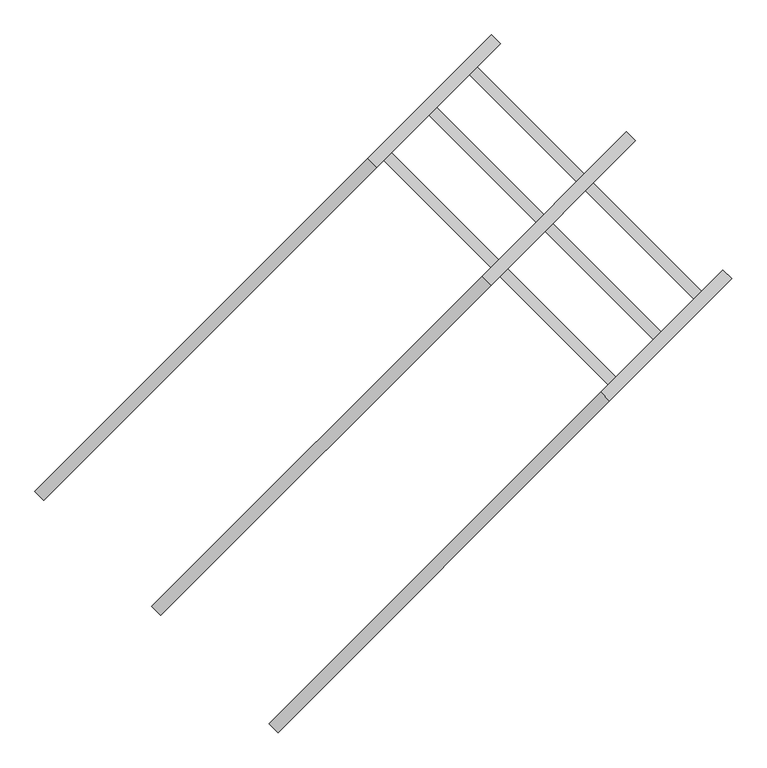
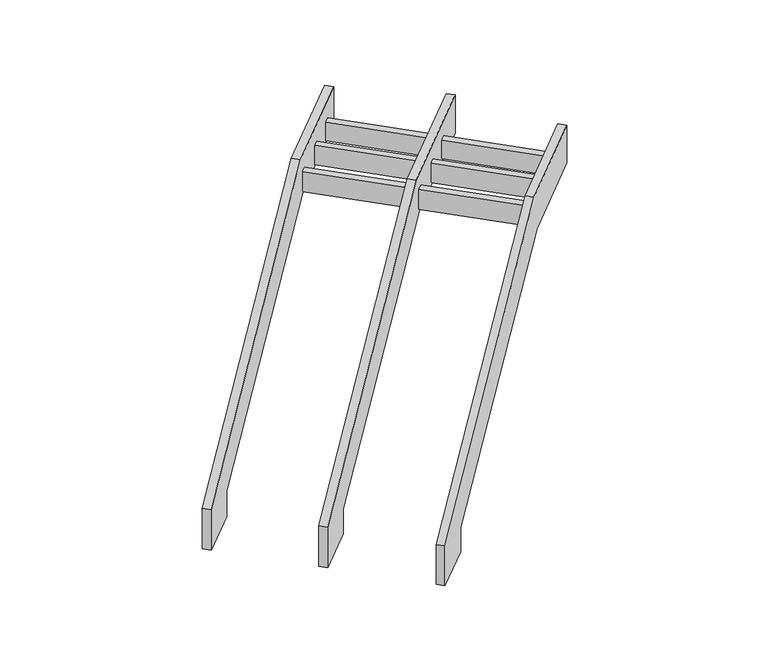
"""IFC4 building model written with IfcOpenShell, lengths in millimetres: stair geometry."""

import ifcopenshell
import ifcopenshell.guid

model = None  # the IFC model being written
_history = None  # IfcOwnerHistory: only IFC2X3 demands one
_inside = {}  # id of a spatial element -> (the spatial element, [elements in it])
_under = {}  # id of a project, library or spatial element -> (it, [spatial elements below it])
_declared = {}  # id of a project -> (the project, [libraries it declares])
_typed = {}  # id of a type object -> (the type object, [elements of that type])
_made_of = {}  # id of a material, layer set ... -> (it, [elements and type objects made of it])


def new_model(schema):
    """Start an empty IFC model of exactly this schema.

    Asked for "IFC4X3", IfcOpenShell would pick the latest addendum, in which some entities
    have other attributes; the version numbers below select the first issue.
    IFC2X3 requires an IfcOwnerHistory on every rooted entity: one is made here for all.
    """
    global model, _history
    if schema == "IFC4X3":
        model = ifcopenshell.file(schema_version=(4, 3, 0, 0))
    else:
        model = ifcopenshell.file(schema=schema)
    _inside.clear()
    _under.clear()
    _declared.clear()
    _typed.clear()
    _made_of.clear()
    _history = None
    if model.schema == "IFC2X3":
        org = make("IfcOrganization", Name="unknown")
        user = make(
            "IfcPersonAndOrganization",
            ThePerson=make("IfcPerson", FamilyName="unknown"),
            TheOrganization=org,
        )
        app = make(
            "IfcApplication",
            ApplicationDeveloper=org,
            Version="unknown",
            ApplicationFullName="unknown",
            ApplicationIdentifier="unknown",
        )
        _history = make(
            "IfcOwnerHistory",
            OwningUser=user,
            OwningApplication=app,
            ChangeAction="ADDED",
            CreationDate=0,
        )
    return model


def make(cls, **values):
    """One entity of the class cls with the attributes given. An attribute that is None is left unset."""
    return model.create_entity(
        cls, **{name: value for name, value in values.items() if value is not None}
    )


def rooted(cls, **values):
    """An entity with a GlobalId (a new one), such as an element, a storey or a relation."""
    return make(cls, GlobalId=ifcopenshell.guid.new(), OwnerHistory=_history, **values)


def si_unit(unit_type, name, prefix=None):
    """IfcSIUnit, for example si_unit("LENGTHUNIT", "METRE", prefix="MILLI")."""
    return make("IfcSIUnit", UnitType=unit_type, Prefix=prefix, Name=name)


def assignment(units):
    """IfcUnitAssignment: the units of a project."""
    return None if units is None else make("IfcUnitAssignment", Units=units)


def point(xyz):
    """IfcCartesianPoint."""
    return None if xyz is None else make("IfcCartesianPoint", Coordinates=xyz)


def direction(xyz):
    """IfcDirection."""
    return None if xyz is None else make("IfcDirection", DirectionRatios=xyz)


def frame(location, z_axis=None, x_axis=None):
    """IfcAxis2Placement3D, a coordinate frame: its origin and axes. An axis left out is left unset."""
    return make(
        "IfcAxis2Placement3D",
        Location=point(location),
        Axis=direction(z_axis),
        RefDirection=direction(x_axis),
    )


def origin():
    """The frame at (0, 0, 0) with its axes left unset."""
    return frame((0.0, 0.0, 0.0))


def place(relative_to, where):
    """IfcLocalPlacement: puts the frame where relative to a parent placement (None: the world)."""
    return make(
        "IfcLocalPlacement", PlacementRelTo=relative_to, RelativePlacement=where
    )


def context(
    kind, dimensions, precision=None, world=None, true_north=None, identifier=None
):
    """IfcGeometricRepresentationContext, for example the 3D "Model" context."""
    return make(
        "IfcGeometricRepresentationContext",
        ContextIdentifier=identifier,
        ContextType=kind,
        CoordinateSpaceDimension=dimensions,
        Precision=precision,
        WorldCoordinateSystem=world,
        TrueNorth=true_north,
    )


def project(units=None, contexts=None):
    """IfcProject with its units and contexts."""
    return rooted(
        "IfcProject",
        Name="project",
        RepresentationContexts=contexts,
        UnitsInContext=assignment(units),
    )


def spatial(cls, under=None, at=None, **own):
    """A site, building, storey or space (cls), placed at a placement, below another one or the project."""
    s = rooted(cls, ObjectPlacement=at, **own)
    if under is not None:
        _under.setdefault(under.id(), (under, []))[1].append(s)
    return s


def polyline(points):
    """IfcPolyline through the points."""
    return make("IfcPolyline", Points=[point(p) for p in points])


def outline(outer, holes=None, kind="AREA"):
    """IfcArbitraryClosedProfileDef: a profile drawn as a closed curve; with holes, ...WithVoids."""
    if holes is None:
        return make("IfcArbitraryClosedProfileDef", ProfileType=kind, OuterCurve=outer)
    return make(
        "IfcArbitraryProfileDefWithVoids",
        ProfileType=kind,
        OuterCurve=outer,
        InnerCurves=holes,
    )


def extrude(swept, where, along, depth):
    """IfcExtrudedAreaSolid: the profile swept, set in the frame where, extruded along a direction by depth."""
    return make(
        "IfcExtrudedAreaSolid",
        SweptArea=swept,
        Position=where,
        ExtrudedDirection=direction(along),
        Depth=depth,
    )


def shape(context_of_items, identifier, shape_type, items):
    """IfcShapeRepresentation: the items that make up one representation, for example the "Body"."""
    return make(
        "IfcShapeRepresentation",
        ContextOfItems=context_of_items,
        RepresentationIdentifier=identifier,
        RepresentationType=shape_type,
        Items=items,
    )


def source(mapping_origin, context_of_items, identifier, shape_type, items):
    """IfcRepresentationMap: a shape defined once, which mapped items show again and again."""
    return make(
        "IfcRepresentationMap",
        MappingOrigin=mapping_origin,
        MappedRepresentation=shape(context_of_items, identifier, shape_type, items),
    )


def transform(
    local_origin,
    x_axis=None,
    y_axis=None,
    z_axis=None,
    scale=None,
    scale2=None,
    scale3=None,
    uniform=True,
):
    """IfcCartesianTransformationOperator3D, or its non-uniform kind. x_axis, y_axis, z_axis: its Axis1, 2, 3."""
    if uniform:
        return make(
            "IfcCartesianTransformationOperator3D",
            Axis1=direction(x_axis),
            Axis2=direction(y_axis),
            LocalOrigin=point(local_origin),
            Scale=scale,
            Axis3=direction(z_axis),
        )
    return make(
        "IfcCartesianTransformationOperator3DnonUniform",
        Axis1=direction(x_axis),
        Axis2=direction(y_axis),
        LocalOrigin=point(local_origin),
        Scale=scale,
        Axis3=direction(z_axis),
        Scale2=scale2,
        Scale3=scale3,
    )


def mapped(mapping_source, mapping_target):
    """IfcMappedItem: shows the shape of a source again, moved by a transform."""
    return make(
        "IfcMappedItem", MappingSource=mapping_source, MappingTarget=mapping_target
    )


def made_of(thing, what):
    """Note that an element or type object is made of a material, layer set ...; save() writes the relation."""
    if what is not None:
        _made_of.setdefault(what.id(), (what, []))[1].append(thing)
    return thing


def element(
    cls,
    number,
    at=None,
    inside=None,
    cuts=None,
    type_object=None,
    material=None,
    context=None,
    identifier="Body",
    shape_type=None,
    held_by="IfcProductDefinitionShape",
    body=None,
    shapes=None,
    **own,
):
    """One element of the class cls, such as IfcWall. Its Tag is "e" and its number.

    at: its placement. inside: the storey or other place that contains it. cuts: it is an
    opening in that element (IfcRelVoidsElement). A single representation is given by context,
    identifier, shape_type and body (its items); several are given by shapes. held_by: the class
    of the entity that holds the representations. save() writes the other relations.
    """
    e = rooted(cls, Tag="e%d" % number, ObjectPlacement=at, **own)
    if body is not None:
        shapes = [shape(context, identifier, shape_type, body)]
    if shapes is not None:
        e.Representation = make(held_by, Representations=shapes)
    if inside is not None:
        _inside.setdefault(inside.id(), (inside, []))[1].append(e)
    if cuts is not None:
        rooted(
            "IfcRelVoidsElement", RelatingBuildingElement=cuts, RelatedOpeningElement=e
        )
    if type_object is not None:
        _typed.setdefault(type_object.id(), (type_object, []))[1].append(e)
    return made_of(e, material)


def aggregate(whole, parts):
    """IfcRelAggregates: a whole, such as a stair, and the parts it consists of."""
    return rooted("IfcRelAggregates", RelatingObject=whole, RelatedObjects=parts)


def save(model, path):
    """Write the relations noted so far, then the file.

    IfcRelAggregates (storeys below a building ...), IfcRelContainedInSpatialStructure (elements
    in a storey), IfcRelDefinesByType, IfcRelAssociatesMaterial and IfcRelDeclares: one each for
    every whole, place, type object, material and project.
    """
    for whole, parts in _under.values():
        aggregate(whole, parts)
    for where, things in _inside.values():
        rooted(
            "IfcRelContainedInSpatialStructure",
            RelatedElements=things,
            RelatingStructure=where,
        )
    for kind, things in _typed.values():
        rooted("IfcRelDefinesByType", RelatedObjects=things, RelatingType=kind)
    for what, things in _made_of.values():
        rooted("IfcRelAssociatesMaterial", RelatedObjects=things, RelatingMaterial=what)
    for by, libraries in _declared.values():
        rooted("IfcRelDeclares", RelatingContext=by, RelatedDefinitions=libraries)
    model.write(path)


def stair_a7d9c4be(model_context):
    return source(origin(), model_context, "Body", "SweptSolid", [
        extrude(outline(polyline([(-504.8449565, 0.0), (32.6370523, 0.0), (32.6370523, -657.505337), (-305.7248187, -657.505337), (-2102.4286136, -3853.6133933), (-2125.0039928, -5115.732673), (-2622.5849027, -5115.732673), (-2600.1376465, -3727.2598108), (-504.8449565, 0.0)])), frame((107878.4681105, 97686.420785, -2409.125), z_axis=(-0.7071067811865515, 0.7071067811865437, 0.0), x_axis=(0.0, 0.0, -1.0)), (0.0, 0.0, 1.0), 100.3473583),
        extrude(outline(polyline([(-490.466493, 0.0), (32.6370523, 0.0), (32.6370523, -657.505337), (-291.3463552, -657.505337), (-2082.4286136, -3843.6133934), (-2104.6462551, -5085.732673), (-2602.2615653, -5085.732673), (-2580.1376465, -3717.2598108), (-490.466493, 0.0)])), frame((109733.537571, 95845.4934601, -2409.125), z_axis=(-0.7071067811865515, 0.7071067811865437, 0.0), x_axis=(0.0, 0.0, -1.0)), (0.0, 0.0, 1.0), 100.3473583),
        extrude(outline(polyline([(112430.3009809, 98644.8737755), (112368.3417503, 98582.9145449), (110549.6934952, 100401.5628), (110611.6527258, 100463.5220307), (112430.3009809, 98644.8737755)])), frame((0.0, 0.0, -283.780385), z_axis=(0.0, 0.0, 1.0), x_axis=(1.0, 0.0, 0.0)), (0.0, 0.0, 1.0), 264.655385),
        extrude(outline(polyline([(112789.1869976, 99003.7597922), (112727.227767, 98941.8005616), (110908.5795119, 100760.4488168), (110970.5387425, 100822.4080474), (112789.1869976, 99003.7597922)])), frame((0.0, 0.0, -273.780385), z_axis=(0.0, 0.0, 1.0), x_axis=(1.0, 0.0, 0.0)), (0.0, 0.0, 1.0), 254.655385),
        extrude(outline(polyline([(113110.3010401, 99324.8738347), (113048.3418095, 99262.9146041), (111229.6935544, 101081.5628592), (111291.652785, 101143.5220898), (113110.3010401, 99324.8738347)])), frame((0.0, 0.0, -263.780385), z_axis=(0.0, 0.0, 1.0), x_axis=(1.0, 0.0, 0.0)), (0.0, 0.0, 1.0), 244.655385),
        extrude(outline(polyline([(-500.466493, 0.0), (32.6370523, 0.0), (32.6370523, -657.505337), (-301.3463552, -657.505337), (-2082.0999718, -3825.2400503), (-2108.8288311, -5319.5674971), (-2606.0419419, -5319.5674971), (-2579.8415428, -3698.944349), (-500.466493, 0.0)])), frame((108805.4126143, 96773.6184168, -2409.125), z_axis=(-0.7071067811865515, 0.7071067811865437, 0.0), x_axis=(0.0, 0.0, -1.0)), (0.0, 0.0, 1.0), 100.3473583),
    ])


if __name__ == "__main__":
    model = new_model("IFC4")
    model_context = context("Model", 3, world=origin())
    ifc_project = project(units=[si_unit("LENGTHUNIT", "METRE", prefix="MILLI")], contexts=[model_context])
    site = spatial("IfcSite", under=ifc_project)
    building = spatial("IfcBuilding", under=site)
    placement = place(None, origin())
    stair_shape = stair_a7d9c4be(model_context)
    element("IfcStair", 1, at=placement, inside=building, context=model_context, shape_type="MappedRepresentation", body=[
        mapped(stair_shape, transform((0.0, 0.0, 0.0), x_axis=(1.0, 0.0, 0.0), y_axis=(0.0, 1.0, 0.0), z_axis=(0.0, 0.0, 1.0))),
    ])
    save(model, "model.ifc")
